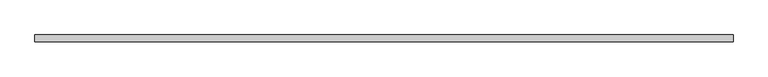
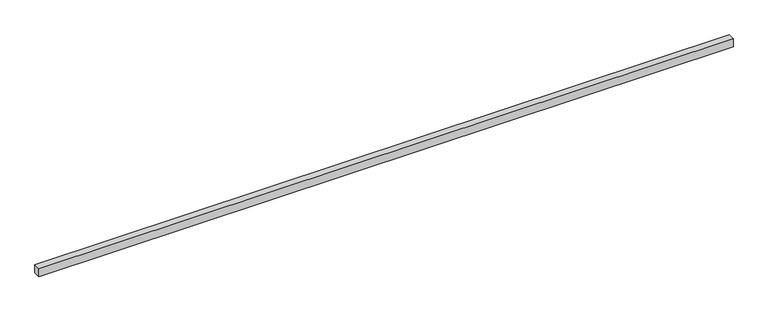
"""IFC4 building model written with IfcOpenShell, lengths in millimetres: proxy geometry."""

from ifc_helpers import new_model, si_unit, origin, origin_with_axes, place, context, project, spatial, polyline, outline, extrude, source, transform, mapped, element, save


def generic_models_b7d7142c(model_context):
    return source(origin(), model_context, "Body", "SweptSolid", [
        extrude(outline(polyline([(8100.0, -40.0), (0.0, -40.0), (0.0, 40.0), (8100.0, 40.0), (8100.0, -40.0)])), origin_with_axes(), (0.0, 0.0, 1.0), 100.0),
    ])


if __name__ == "__main__":
    model = new_model("IFC4")
    model_context = context("Model", 3, world=origin())
    ifc_project = project(units=[si_unit("LENGTHUNIT", "METRE", prefix="MILLI")], contexts=[model_context])
    site = spatial("IfcSite", under=ifc_project)
    building = spatial("IfcBuilding", under=site)
    placement = place(None, origin())
    generic_models_shape = generic_models_b7d7142c(model_context)
    element("IfcBuildingElementProxy", 1, Name="Generic Models", at=placement, inside=building, context=model_context, shape_type="MappedRepresentation", body=[
        mapped(generic_models_shape, transform((0.0, 0.0, 0.0), x_axis=(1.0, 0.0, 0.0), y_axis=(0.0, 1.0, 0.0), z_axis=(0.0, 0.0, 1.0))),
    ])
    save(model, "model.ifc")
